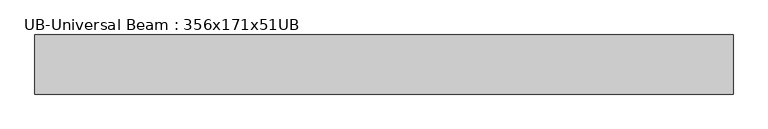
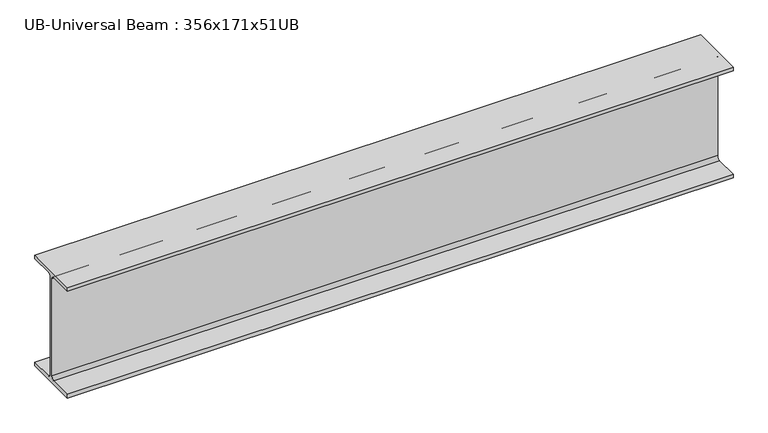
"""IFC4 building model written with IfcOpenShell, lengths in millimetres: beam geometry, UB-Universal Beam : 356x171x51UB."""

import ifcopenshell
import ifcopenshell.guid

model = None  # the IFC model being written
_history = None  # IfcOwnerHistory: only IFC2X3 demands one
_inside = {}  # id of a spatial element -> (the spatial element, [elements in it])
_under = {}  # id of a project, library or spatial element -> (it, [spatial elements below it])
_declared = {}  # id of a project -> (the project, [libraries it declares])
_typed = {}  # id of a type object -> (the type object, [elements of that type])
_made_of = {}  # id of a material, layer set ... -> (it, [elements and type objects made of it])


def new_model(schema):
    """Start an empty IFC model of exactly this schema.

    Asked for "IFC4X3", IfcOpenShell would pick the latest addendum, in which some entities
    have other attributes; the version numbers below select the first issue.
    IFC2X3 requires an IfcOwnerHistory on every rooted entity: one is made here for all.
    """
    global model, _history
    if schema == "IFC4X3":
        model = ifcopenshell.file(schema_version=(4, 3, 0, 0))
    else:
        model = ifcopenshell.file(schema=schema)
    _inside.clear()
    _under.clear()
    _declared.clear()
    _typed.clear()
    _made_of.clear()
    _history = None
    if model.schema == "IFC2X3":
        org = make("IfcOrganization", Name="unknown")
        user = make(
            "IfcPersonAndOrganization",
            ThePerson=make("IfcPerson", FamilyName="unknown"),
            TheOrganization=org,
        )
        app = make(
            "IfcApplication",
            ApplicationDeveloper=org,
            Version="unknown",
            ApplicationFullName="unknown",
            ApplicationIdentifier="unknown",
        )
        _history = make(
            "IfcOwnerHistory",
            OwningUser=user,
            OwningApplication=app,
            ChangeAction="ADDED",
            CreationDate=0,
        )
    return model


def make(cls, **values):
    """One entity of the class cls with the attributes given. An attribute that is None is left unset."""
    return model.create_entity(
        cls, **{name: value for name, value in values.items() if value is not None}
    )


def rooted(cls, **values):
    """An entity with a GlobalId (a new one), such as an element, a storey or a relation."""
    return make(cls, GlobalId=ifcopenshell.guid.new(), OwnerHistory=_history, **values)


def si_unit(unit_type, name, prefix=None):
    """IfcSIUnit, for example si_unit("LENGTHUNIT", "METRE", prefix="MILLI")."""
    return make("IfcSIUnit", UnitType=unit_type, Prefix=prefix, Name=name)


def assignment(units):
    """IfcUnitAssignment: the units of a project."""
    return None if units is None else make("IfcUnitAssignment", Units=units)


def point(xyz):
    """IfcCartesianPoint."""
    return None if xyz is None else make("IfcCartesianPoint", Coordinates=xyz)


def direction(xyz):
    """IfcDirection."""
    return None if xyz is None else make("IfcDirection", DirectionRatios=xyz)


def frame(location, z_axis=None, x_axis=None):
    """IfcAxis2Placement3D, a coordinate frame: its origin and axes. An axis left out is left unset."""
    return make(
        "IfcAxis2Placement3D",
        Location=point(location),
        Axis=direction(z_axis),
        RefDirection=direction(x_axis),
    )


def frame_2d(location, x_axis=None):
    """IfcAxis2Placement2D, a coordinate frame in the plane: its origin and x axis."""
    return make(
        "IfcAxis2Placement2D", Location=point(location), RefDirection=direction(x_axis)
    )


def origin():
    """The frame at (0, 0, 0) with its axes left unset."""
    return frame((0.0, 0.0, 0.0))


def place(relative_to, where):
    """IfcLocalPlacement: puts the frame where relative to a parent placement (None: the world)."""
    return make(
        "IfcLocalPlacement", PlacementRelTo=relative_to, RelativePlacement=where
    )


def context(
    kind, dimensions, precision=None, world=None, true_north=None, identifier=None
):
    """IfcGeometricRepresentationContext, for example the 3D "Model" context."""
    return make(
        "IfcGeometricRepresentationContext",
        ContextIdentifier=identifier,
        ContextType=kind,
        CoordinateSpaceDimension=dimensions,
        Precision=precision,
        WorldCoordinateSystem=world,
        TrueNorth=true_north,
    )


def project(units=None, contexts=None):
    """IfcProject with its units and contexts."""
    return rooted(
        "IfcProject",
        Name="project",
        RepresentationContexts=contexts,
        UnitsInContext=assignment(units),
    )


def spatial(cls, under=None, at=None, **own):
    """A site, building, storey or space (cls), placed at a placement, below another one or the project."""
    s = rooted(cls, ObjectPlacement=at, **own)
    if under is not None:
        _under.setdefault(under.id(), (under, []))[1].append(s)
    return s


def polyline(points):
    """IfcPolyline through the points."""
    return make("IfcPolyline", Points=[point(p) for p in points])


def circle_curve(where, radius):
    """IfcCircle in the frame where."""
    return make("IfcCircle", Position=where, Radius=radius)


def trimmed(basis, trim1, trim2, sense, master):
    """IfcTrimmedCurve: the piece of a basis curve between two trims."""
    return make(
        "IfcTrimmedCurve",
        BasisCurve=basis,
        Trim1=trim1,
        Trim2=trim2,
        SenseAgreement=sense,
        MasterRepresentation=master,
    )


def segment(curve, same_sense, transition):
    """IfcCompositeCurveSegment."""
    return make(
        "IfcCompositeCurveSegment",
        Transition=transition,
        SameSense=same_sense,
        ParentCurve=curve,
    )


def composite_curve(segments, self_intersect=None):
    """IfcCompositeCurve: segments joined end to end."""
    return make("IfcCompositeCurve", Segments=segments, SelfIntersect=self_intersect)


def outline(outer, holes=None, kind="AREA"):
    """IfcArbitraryClosedProfileDef: a profile drawn as a closed curve; with holes, ...WithVoids."""
    if holes is None:
        return make("IfcArbitraryClosedProfileDef", ProfileType=kind, OuterCurve=outer)
    return make(
        "IfcArbitraryProfileDefWithVoids",
        ProfileType=kind,
        OuterCurve=outer,
        InnerCurves=holes,
    )


def extrude(swept, where, along, depth):
    """IfcExtrudedAreaSolid: the profile swept, set in the frame where, extruded along a direction by depth."""
    return make(
        "IfcExtrudedAreaSolid",
        SweptArea=swept,
        Position=where,
        ExtrudedDirection=direction(along),
        Depth=depth,
    )


def shape(context_of_items, identifier, shape_type, items):
    """IfcShapeRepresentation: the items that make up one representation, for example the "Body"."""
    return make(
        "IfcShapeRepresentation",
        ContextOfItems=context_of_items,
        RepresentationIdentifier=identifier,
        RepresentationType=shape_type,
        Items=items,
    )


def source(mapping_origin, context_of_items, identifier, shape_type, items):
    """IfcRepresentationMap: a shape defined once, which mapped items show again and again."""
    return make(
        "IfcRepresentationMap",
        MappingOrigin=mapping_origin,
        MappedRepresentation=shape(context_of_items, identifier, shape_type, items),
    )


def transform(
    local_origin,
    x_axis=None,
    y_axis=None,
    z_axis=None,
    scale=None,
    scale2=None,
    scale3=None,
    uniform=True,
):
    """IfcCartesianTransformationOperator3D, or its non-uniform kind. x_axis, y_axis, z_axis: its Axis1, 2, 3."""
    if uniform:
        return make(
            "IfcCartesianTransformationOperator3D",
            Axis1=direction(x_axis),
            Axis2=direction(y_axis),
            LocalOrigin=point(local_origin),
            Scale=scale,
            Axis3=direction(z_axis),
        )
    return make(
        "IfcCartesianTransformationOperator3DnonUniform",
        Axis1=direction(x_axis),
        Axis2=direction(y_axis),
        LocalOrigin=point(local_origin),
        Scale=scale,
        Axis3=direction(z_axis),
        Scale2=scale2,
        Scale3=scale3,
    )


def mapped(mapping_source, mapping_target):
    """IfcMappedItem: shows the shape of a source again, moved by a transform."""
    return make(
        "IfcMappedItem", MappingSource=mapping_source, MappingTarget=mapping_target
    )


def made_of(thing, what):
    """Note that an element or type object is made of a material, layer set ...; save() writes the relation."""
    if what is not None:
        _made_of.setdefault(what.id(), (what, []))[1].append(thing)
    return thing


def element(
    cls,
    number,
    at=None,
    inside=None,
    cuts=None,
    type_object=None,
    material=None,
    context=None,
    identifier="Body",
    shape_type=None,
    held_by="IfcProductDefinitionShape",
    body=None,
    shapes=None,
    **own,
):
    """One element of the class cls, such as IfcWall. Its Tag is "e" and its number.

    at: its placement. inside: the storey or other place that contains it. cuts: it is an
    opening in that element (IfcRelVoidsElement). A single representation is given by context,
    identifier, shape_type and body (its items); several are given by shapes. held_by: the class
    of the entity that holds the representations. save() writes the other relations.
    """
    e = rooted(cls, Tag="e%d" % number, ObjectPlacement=at, **own)
    if body is not None:
        shapes = [shape(context, identifier, shape_type, body)]
    if shapes is not None:
        e.Representation = make(held_by, Representations=shapes)
    if inside is not None:
        _inside.setdefault(inside.id(), (inside, []))[1].append(e)
    if cuts is not None:
        rooted(
            "IfcRelVoidsElement", RelatingBuildingElement=cuts, RelatedOpeningElement=e
        )
    if type_object is not None:
        _typed.setdefault(type_object.id(), (type_object, []))[1].append(e)
    return made_of(e, material)


def aggregate(whole, parts):
    """IfcRelAggregates: a whole, such as a stair, and the parts it consists of."""
    return rooted("IfcRelAggregates", RelatingObject=whole, RelatedObjects=parts)


def save(model, path):
    """Write the relations noted so far, then the file.

    IfcRelAggregates (storeys below a building ...), IfcRelContainedInSpatialStructure (elements
    in a storey), IfcRelDefinesByType, IfcRelAssociatesMaterial and IfcRelDeclares: one each for
    every whole, place, type object, material and project.
    """
    for whole, parts in _under.values():
        aggregate(whole, parts)
    for where, things in _inside.values():
        rooted(
            "IfcRelContainedInSpatialStructure",
            RelatedElements=things,
            RelatingStructure=where,
        )
    for kind, things in _typed.values():
        rooted("IfcRelDefinesByType", RelatedObjects=things, RelatingType=kind)
    for what, things in _made_of.values():
        rooted("IfcRelAssociatesMaterial", RelatedObjects=things, RelatingMaterial=what)
    for by, libraries in _declared.values():
        rooted("IfcRelDeclares", RelatingContext=by, RelatedDefinitions=libraries)
    model.write(path)


def ub_universal_beam_356x171x51ub_151777d1(model_context):
    return source(origin(), model_context, "Body", "SweptSolid", [
        extrude(outline(composite_curve([segment(polyline([(85.75, -166.0), (85.75, -177.5), (-85.75, -177.5), (-85.75, -166.0), (-13.9, -166.0)]), True, "CONTINUOUS"), segment(trimmed(circle_curve(frame_2d((-13.9, -155.8)), 10.2), [point((-13.9, -166.0))], [point((-3.7, -155.8))], True, "CARTESIAN"), True, "CONTINUOUS"), segment(polyline([(-3.7, -155.8), (-3.7, 155.8)]), True, "CONTINUOUS"), segment(trimmed(circle_curve(frame_2d((-13.9, 155.8)), 10.2), [point((-3.7, 155.8))], [point((-13.9, 166.0))], True, "CARTESIAN"), True, "CONTINUOUS"), segment(polyline([(-13.9, 166.0), (-85.75, 166.0), (-85.75, 177.5), (85.75, 177.5), (85.75, 166.0), (13.9, 166.0)]), True, "CONTINUOUS"), segment(trimmed(circle_curve(frame_2d((13.9, 155.8)), 10.2), [point((13.9, 166.0))], [point((3.7, 155.8))], True, "CARTESIAN"), True, "CONTINUOUS"), segment(polyline([(3.7, 155.8), (3.7, -155.8)]), True, "CONTINUOUS"), segment(trimmed(circle_curve(frame_2d((13.9, -155.8)), 10.2), [point((3.7, -155.8))], [point((13.9, -166.0))], True, "CARTESIAN"), True, "CONTINUOUS"), segment(polyline([(13.9, -166.0), (85.75, -166.0)]), True, "CONTINUOUS")], self_intersect=False)), frame((-1034.8805506, 0.0, 0.0), z_axis=(1.0, 0.0, 0.0), x_axis=(0.0, 1.0, 0.0)), (0.0, 0.0, 1.0), 2024.7109773),
    ])


if __name__ == "__main__":
    model = new_model("IFC4")
    model_context = context("Model", 3, world=origin())
    ifc_project = project(units=[si_unit("LENGTHUNIT", "METRE", prefix="MILLI")], contexts=[model_context])
    site = spatial("IfcSite", under=ifc_project)
    building = spatial("IfcBuilding", under=site)
    placement = place(None, origin())
    ub_universal_beam_356x171x51ub_shape = ub_universal_beam_356x171x51ub_151777d1(model_context)
    element("IfcBeam", 1, ObjectType="UB-Universal Beam : 356x171x51UB", at=placement, inside=building, context=model_context, shape_type="MappedRepresentation", body=[
        mapped(ub_universal_beam_356x171x51ub_shape, transform((0.0, 0.0, 0.0), x_axis=(1.0, 0.0, 0.0), y_axis=(0.0, 1.0, 0.0), z_axis=(0.0, 0.0, 1.0))),
    ])
    save(model, "model.ifc")
